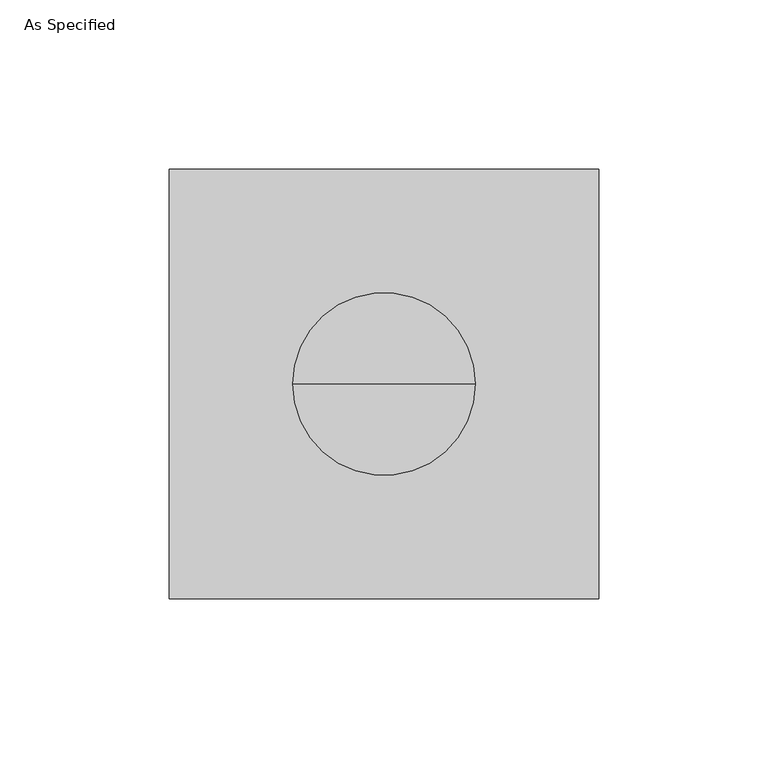
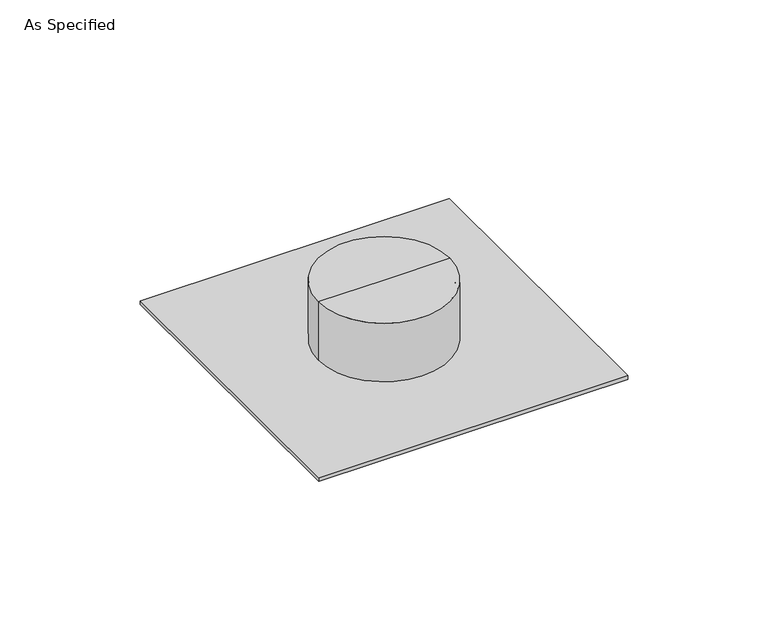
"""IFC4 building model written with IfcOpenShell, lengths in millimetres: proxy geometry, As Specified."""

from ifc_helpers import new_model, si_unit, point, frame, origin, origin_with_axes, origin_2d, place, context, project, spatial, polyline, circle_curve, trimmed, segment, composite_curve, outline, extrude, source, transform, mapped, element, save
from ifc_brep_helpers import plane_surface, cylinder_surface, revolved_surface, advanced_brep


def as_specified_4ee0e3eb(model_context):
    return source(origin(), model_context, "Body", "SolidModel", [
        advanced_brep(
        [(0.0, 0.0, 25.4), (-25.4, 0.0, 25.4), (25.4, 0.0, 25.4), (26.9875, 0.0, 26.9875), (-26.9875, 0.0, 26.9875), (0.0, 0.0, 26.9875), (26.9875, 0.0, 1.5875), (-26.9875, 0.0, 1.5875), (25.4, 0.0, 1.5875), (-25.4, 0.0, 1.5875)],
        [
            (0, 1),
            (1, 2, circle_curve(frame((0.0, 0.0, 25.4), z_axis=(0.0, 0.0, -1.0), x_axis=(-1.0, 0.0, 0.0)), 25.4)),
            (2, 0),
            (2, 1, circle_curve(frame((0.0, 0.0, 25.4), z_axis=(0.0, 0.0, -1.0), x_axis=(-1.0, 0.0, 0.0)), 25.4)),
            (3, 4, circle_curve(frame((0.0, 0.0, 26.9875), z_axis=(0.0, 0.0, 1.0), x_axis=(-1.0, 0.0, 0.0)), 26.9875)),
            (4, 5),
            (5, 3),
            (4, 3, circle_curve(frame((0.0, 0.0, 26.9875), z_axis=(0.0, 0.0, 1.0), x_axis=(-1.0, 0.0, 0.0)), 26.9875)),
            (6, 7, circle_curve(frame((0.0, 0.0, 1.5875), z_axis=(0.0, 0.0, 1.0), x_axis=(-1.0, 0.0, 0.0)), 26.9875)),
            (7, 4),
            (3, 6),
            (7, 6, circle_curve(frame((0.0, 0.0, 1.5875), z_axis=(0.0, 0.0, 1.0), x_axis=(-1.0, 0.0, 0.0)), 26.9875)),
            (8, 9, circle_curve(frame((0.0, 0.0, 1.5875), z_axis=(0.0, 0.0, 1.0), x_axis=(-1.0, 0.0, 0.0)), 25.4)),
            (9, 7),
            (6, 8),
            (9, 8, circle_curve(frame((0.0, 0.0, 1.5875), z_axis=(0.0, 0.0, 1.0), x_axis=(-1.0, 0.0, 0.0)), 25.4)),
            (1, 9),
            (8, 2),
        ],
        [
            plane_surface(frame((0.0, 0.0, 25.4), z_axis=(0.0, 0.0, -1.0), x_axis=(-1.0, 0.0, 0.0))),
            plane_surface(frame((0.0, 0.0, 26.9875), z_axis=(0.0, 0.0, 1.0), x_axis=(-1.0, 0.0, 0.0))),
            cylinder_surface(frame((0.0, 0.0, 2609.0581012), z_axis=(0.0, 0.0, -1.0), x_axis=(-1.0, 0.0, 0.0)), 26.9875),
            plane_surface(frame((0.0, 0.0, 1.5875), z_axis=(0.0, 0.0, -1.0), x_axis=(-1.0, 0.0, 0.0))),
            revolved_surface(polyline([(-25.4, 0.0, 1.587500000000091), (-25.4, 0.0, 25.40000000000009)]), (0.0, 0.0, 2609.0581012), (0.0, 0.0, -1.0)),
        ],
        [
            (0, [[1, 2, 3]]),
            (0, [[-3, 4, -1]]),
            (1, [[5, 6, 7]]),
            (1, [[8, -7, -6]]),
            (2, [[9, 10, -5, 11]]),
            (2, [[12, -11, -8, -10]]),
            (3, [[13, 14, -9, 15]]),
            (3, [[16, -15, -12, -14]]),
            (4, [[-2, 17, -13, 18]]),
            (4, [[-4, -18, -16, -17]]),
        ],
    ),
        extrude(outline(polyline([(63.5, 63.5), (63.5, -63.5), (-63.5, -63.5), (-63.5, 63.5), (63.5, 63.5)]), holes=[composite_curve([segment(trimmed(circle_curve(origin_2d(), 25.4), [point((-25.4, 0.0))], [point((25.4, 0.0))], True, "CARTESIAN"), True, "CONTINUOUS"), segment(trimmed(circle_curve(origin_2d(), 25.4), [point((25.4, 0.0))], [point((-25.4, 0.0))], True, "CARTESIAN"), True, "CONTINUOUS")], self_intersect=False)]), origin_with_axes(), (0.0, 0.0, 1.0), 1.5875),
    ])


if __name__ == "__main__":
    model = new_model("IFC4")
    model_context = context("Model", 3, world=origin())
    ifc_project = project(units=[si_unit("LENGTHUNIT", "METRE", prefix="MILLI")], contexts=[model_context])
    site = spatial("IfcSite", under=ifc_project)
    building = spatial("IfcBuilding", under=site)
    placement = place(None, origin())
    as_specified_shape = as_specified_4ee0e3eb(model_context)
    element("IfcBuildingElementProxy", 1, Name="As Specified", ObjectType="As Specified", at=placement, inside=building, context=model_context, shape_type="MappedRepresentation", body=[
        mapped(as_specified_shape, transform((0.0, 0.0, 0.0), x_axis=(1.0, 0.0, 0.0), y_axis=(0.0, 1.0, 0.0), z_axis=(0.0, 0.0, 1.0))),
    ])
    save(model, "model.ifc")
